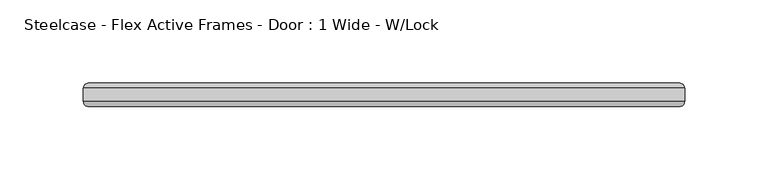
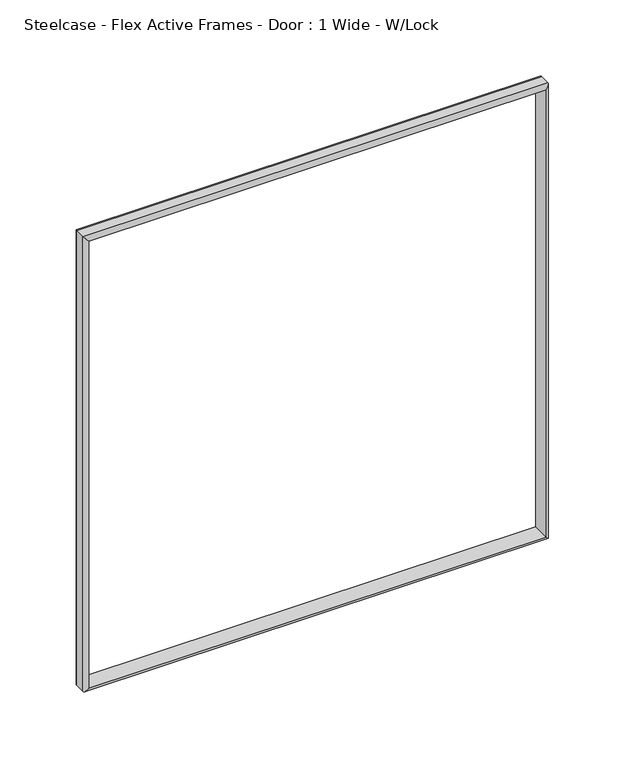
"""IFC4 building model written with IfcOpenShell, lengths in millimetres: furniture geometry, Steelcase - Flex Active Frames - Door : 1 Wide - W/Lock."""

from ifc_helpers import new_model, si_unit, frame, origin, place, context, project, spatial, ellipse_curve, source, transform, mapped, element, save
from ifc_brep_helpers import plane_surface, cylinder_surface, advanced_brep


def steelcase_flex_active_frames_door_1_wide_w_lock_deaf038d(model_context):
    return source(origin(), model_context, "Body", "AdvancedBrep", [
        advanced_brep(
        [(374.9960545, -379.5267857, 385.399247), (372.0019058, -382.5209343, 382.4050983), (372.0019058, -382.5209343, 16.3990959), (374.9960545, -379.5267857, 13.4049473), (374.9960545, -371.5066417, 385.399247), (374.9960545, -371.5066417, 13.4049473), (372.0019058, -368.5124931, 382.4050983), (372.0019058, -368.5124931, 16.3990959), (17.9940325, -382.5209343, 16.3990959), (14.9998838, -379.5267857, 13.4049473), (14.9998838, -371.5066417, 13.4049473), (17.9940325, -368.5124931, 16.3990959), (17.9940325, -382.5209343, 382.4050983), (14.9998838, -379.5267857, 385.399247), (14.9998838, -371.5066417, 385.399247), (17.9940325, -368.5124931, 382.4050983)],
        [
            (0, 1, ellipse_curve(frame((372.0019058, -379.5267857, 382.4050983), z_axis=(0.7071067811865475, 0.0, -0.7071067811865475), x_axis=(0.7071067811865474, 0.0, 0.7071067811865476)), 4.2343656, 2.9941486)),
            (1, 2),
            (2, 3, ellipse_curve(frame((372.0019058, -379.5267857, 16.3990959), z_axis=(0.7071067811865475, 0.0, 0.7071067811865475), x_axis=(-0.7071067811865474, 0.0, 0.7071067811865476)), 4.2343656, 2.9941486)),
            (3, 0),
            (4, 0),
            (3, 5),
            (5, 4),
            (6, 4, ellipse_curve(frame((372.0019058, -371.5066417, 382.4050983), z_axis=(0.7071067811865475, 0.0, -0.7071067811865475), x_axis=(0.7071067811865474, 0.0, 0.7071067811865476)), 4.2343656, 2.9941486)),
            (5, 7, ellipse_curve(frame((372.0019058, -371.5066417, 16.3990959), z_axis=(0.7071067811865475, 0.0, 0.7071067811865475), x_axis=(-0.7071067811865474, 0.0, 0.7071067811865476)), 4.2343656, 2.9941486)),
            (7, 6),
            (1, 6),
            (7, 2),
            (2, 8),
            (8, 9, ellipse_curve(frame((17.9940325, -379.5267857, 16.3990959), z_axis=(0.7071067811865426, 0.0, -0.7071067811865525), x_axis=(0.7071067811865525, 0.0, 0.7071067811865426)), 4.2343656, 2.9941486)),
            (9, 3),
            (9, 10),
            (10, 5),
            (10, 11, ellipse_curve(frame((17.9940325, -371.5066417, 16.3990959), z_axis=(0.7071067811865426, 0.0, -0.7071067811865525), x_axis=(0.7071067811865525, 0.0, 0.7071067811865426)), 4.2343656, 2.9941486)),
            (11, 7),
            (11, 8),
            (8, 12),
            (12, 13, ellipse_curve(frame((17.9940325, -379.5267857, 382.4050983), z_axis=(-0.7071067811865526, 0.0, -0.7071067811865426), x_axis=(0.7071067811865426, 0.0, -0.7071067811865523)), 4.2343656, 2.9941486)),
            (13, 9),
            (13, 14),
            (14, 10),
            (14, 15, ellipse_curve(frame((17.9940325, -371.5066417, 382.4050983), z_axis=(-0.7071067811865526, 0.0, -0.7071067811865426), x_axis=(0.7071067811865426, 0.0, -0.7071067811865523)), 4.2343656, 2.9941486)),
            (15, 11),
            (15, 12),
            (12, 1),
            (0, 13),
            (4, 14),
            (6, 15),
        ],
        [
            cylinder_surface(frame((372.0019058, -379.5267857, 385.399247), z_axis=(0.0, 0.0, 1.0), x_axis=(1.0, 0.0, 0.0)), 2.9941486),
            plane_surface(frame((374.9960545, -379.5267857, 385.399247), z_axis=(1.0, 0.0, 0.0), x_axis=(0.0, 0.0, -1.0))),
            cylinder_surface(frame((372.0019058, -371.5066417, 385.399247), z_axis=(0.0, 0.0, 1.0), x_axis=(1.0, 0.0, 0.0)), 2.9941486),
            plane_surface(frame((372.0019058, -368.5124931, 382.4050983), z_axis=(-1.0, 0.0, 0.0), x_axis=(0.0, 0.0, -1.0))),
            cylinder_surface(frame((374.9960545, -379.5267857, 16.3990959), z_axis=(1.0, 0.0, 0.0), x_axis=(0.0, 0.0, -1.0)), 2.9941486),
            plane_surface(frame((374.9960545, -379.5267857, 13.4049473), z_axis=(0.0, 0.0, -1.0), x_axis=(-1.0, 0.0, 0.0))),
            cylinder_surface(frame((374.9960545, -371.5066417, 16.3990959), z_axis=(1.0, 0.0, 0.0), x_axis=(0.0, 0.0, -1.0)), 2.9941486),
            plane_surface(frame((372.0019058, -368.5124931, 16.3990959), z_axis=(0.0, 0.0, 1.0), x_axis=(-1.0, 0.0, 0.0))),
            cylinder_surface(frame((17.9940325, -379.5267857, 13.4049473), z_axis=(0.0, 0.0, -1.0), x_axis=(-1.0, 0.0, 0.0)), 2.9941486),
            plane_surface(frame((14.9998838, -379.5267857, 13.4049473), z_axis=(-1.0, 0.0, 0.0), x_axis=(0.0, 0.0, 1.0))),
            cylinder_surface(frame((17.9940325, -371.5066417, 13.4049473), z_axis=(0.0, 0.0, -1.0), x_axis=(-1.0, 0.0, 0.0)), 2.9941486),
            plane_surface(frame((17.9940325, -368.5124931, 16.3990959), z_axis=(1.0, 0.0, 0.0), x_axis=(0.0, 0.0, 1.0))),
            cylinder_surface(frame((14.9998838, -379.5267857, 382.4050983), z_axis=(-1.0, 0.0, 0.0), x_axis=(0.0, 0.0, 1.0)), 2.9941486),
            plane_surface(frame((14.9998838, -379.5267857, 385.399247), z_axis=(0.0, 0.0, 1.0), x_axis=(1.0, 0.0, 0.0))),
            cylinder_surface(frame((14.9998838, -371.5066417, 382.4050983), z_axis=(-1.0, 0.0, 0.0), x_axis=(0.0, 0.0, 1.0)), 2.9941486),
            plane_surface(frame((17.9940325, -368.5124931, 382.4050983), z_axis=(0.0, 0.0, -1.0), x_axis=(1.0, 0.0, 0.0))),
        ],
        [
            (0, [[1, 2, 3, 4]]),
            (1, [[5, -4, 6, 7]]),
            (2, [[8, -7, 9, 10]]),
            (3, [[11, -10, 12, -2]]),
            (4, [[-3, 13, 14, 15]]),
            (5, [[-6, -15, 16, 17]]),
            (6, [[-9, -17, 18, 19]]),
            (7, [[-12, -19, 20, -13]]),
            (8, [[-14, 21, 22, 23]]),
            (9, [[-16, -23, 24, 25]]),
            (10, [[-18, -25, 26, 27]]),
            (11, [[-20, -27, 28, -21]]),
            (12, [[-22, 29, -1, 30]]),
            (13, [[-24, -30, -5, 31]]),
            (14, [[-26, -31, -8, 32]]),
            (15, [[-28, -32, -11, -29]]),
        ],
    ),
    ])


if __name__ == "__main__":
    model = new_model("IFC4")
    model_context = context("Model", 3, world=origin())
    ifc_project = project(units=[si_unit("LENGTHUNIT", "METRE", prefix="MILLI")], contexts=[model_context])
    site = spatial("IfcSite", under=ifc_project)
    building = spatial("IfcBuilding", under=site)
    placement = place(None, origin())
    steelcase_flex_active_frames_door_1_wide_w_lock_shape = steelcase_flex_active_frames_door_1_wide_w_lock_deaf038d(model_context)
    element("IfcFurniture", 1, ObjectType="Steelcase - Flex Active Frames - Door : 1 Wide - W/Lock", at=placement, inside=building, context=model_context, shape_type="MappedRepresentation", body=[
        mapped(steelcase_flex_active_frames_door_1_wide_w_lock_shape, transform((0.0, 0.0, 0.0), x_axis=(1.0, 0.0, 0.0), y_axis=(0.0, 1.0, 0.0), z_axis=(0.0, 0.0, 1.0))),
    ])
    save(model, "model.ifc")
